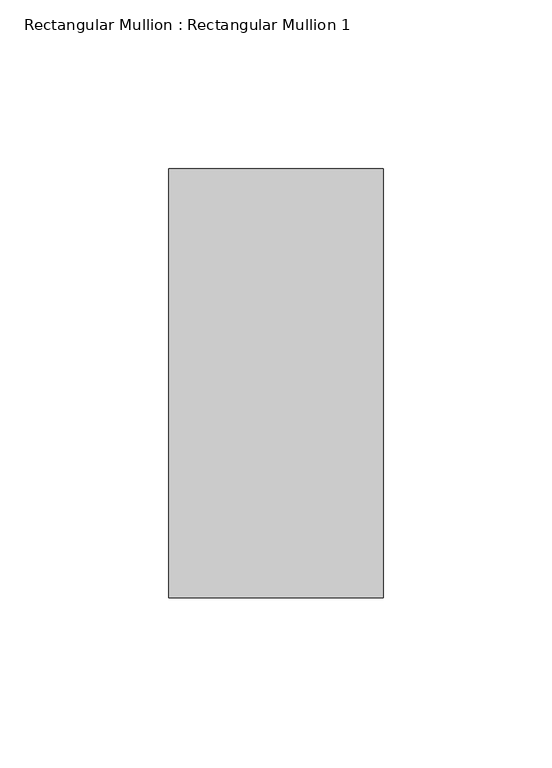
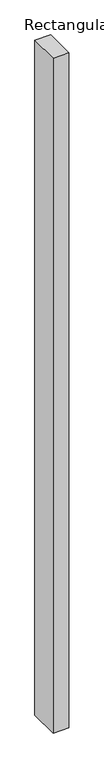
"""IFC4 building model written with IfcOpenShell, lengths in millimetres: member geometry, Rectangular Mullion : Rectangular Mullion 1."""

from ifc_helpers import new_model, si_unit, frame, origin, place, context, project, spatial, polyline, outline, extrude, source, transform, mapped, element, save


def rectangular_mullion_rectangular_mullion_1_13d59340(model_context):
    return source(origin(), model_context, "Body", "SweptSolid", [
        extrude(outline(polyline([(31.75, 63.5), (31.75, -63.5), (-31.75, -63.5), (-31.75, 63.5), (31.75, 63.5)])), frame((0.0, 0.0, -2882.9635785), z_axis=(0.0, 0.0, 1.0), x_axis=(1.0, 0.0, 0.0)), (0.0, 0.0, 1.0), 2882.9635785),
    ])


if __name__ == "__main__":
    model = new_model("IFC4")
    model_context = context("Model", 3, world=origin())
    ifc_project = project(units=[si_unit("LENGTHUNIT", "METRE", prefix="MILLI")], contexts=[model_context])
    site = spatial("IfcSite", under=ifc_project)
    building = spatial("IfcBuilding", under=site)
    placement = place(None, origin())
    rectangular_mullion_rectangular_mullion_1_shape = rectangular_mullion_rectangular_mullion_1_13d59340(model_context)
    element("IfcMember", 1, ObjectType="Rectangular Mullion : Rectangular Mullion 1", at=placement, inside=building, context=model_context, shape_type="MappedRepresentation", body=[
        mapped(rectangular_mullion_rectangular_mullion_1_shape, transform((0.0, 0.0, 0.0), x_axis=(1.0, 0.0, 0.0), y_axis=(0.0, 1.0, 0.0), z_axis=(0.0, 0.0, 1.0))),
    ])
    save(model, "model.ifc")
